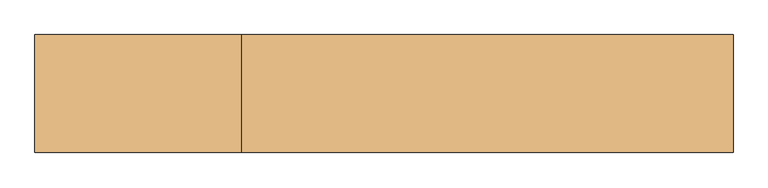
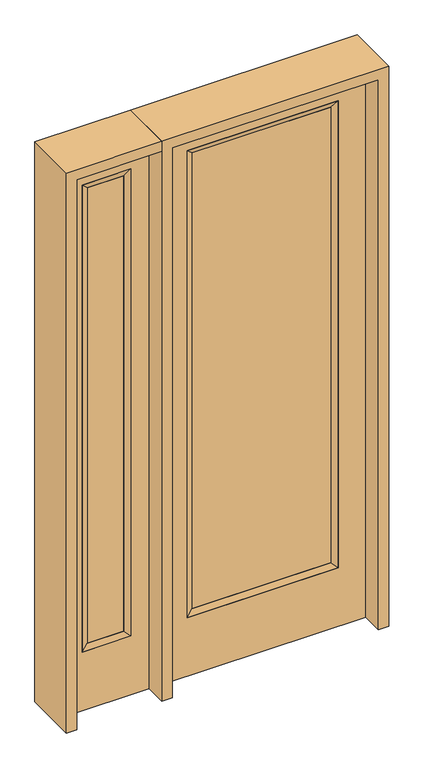
"""IFC4 building model written with IfcOpenShell, lengths in millimetres: door geometry."""

from ifc_helpers import new_model, si_unit, frame, origin, place, context, project, spatial, polyline, outline, extrude, faceted_brep, source, transform, mapped, element, save


def door_30f6f8bd(model_context):
    return source(origin(), model_context, "Body", "SolidModel", [
        extrude(outline(polyline([(290.9824, -12.7039749), (-290.9824, -12.7039749), (-290.9824, 14.2875), (290.9824, 14.2875), (290.9824, -12.7039749)])), frame((0.0, 0.0, 285.75), z_axis=(0.0, 0.0, 1.0), x_axis=(1.0, 0.0, 0.0)), (0.0, 0.0, 1.0), 2019.3),
        faceted_brep([(290.9824, 14.2875, 2305.05), (316.3824, 22.225, 2330.45), (316.3824, 22.225, 260.35), (290.9824, 14.2875, 285.75), (316.3824, -22.225, 2330.45), (316.3824, -22.225, 260.35), (-316.3824, 22.225, 260.35), (-290.9824, 14.2875, 285.75), (290.9824, -12.7039749, 2305.05), (290.9824, -12.7039749, 285.75), (-290.9824, -12.7039749, 285.75), (-316.3824, -22.225, 260.35), (-316.3824, 22.225, 2330.45), (-290.9824, 14.2875, 2305.05), (-290.9824, -12.7039749, 2305.05), (-316.3824, -22.225, 2330.45)], [[[0, 1, 2, 3]], [[1, 4, 5, 2]], [[3, 2, 6, 7]], [[8, 0, 3, 9]], [[9, 3, 7, 10]], [[4, 8, 9, 5]], [[5, 9, 10, 11]], [[2, 5, 11, 6]], [[7, 6, 12, 13]], [[10, 7, 13, 14]], [[11, 10, 14, 15]], [[6, 11, 15, 12]], [[13, 12, 1, 0]], [[14, 13, 0, 8]], [[15, 14, 8, 4]], [[12, 15, 4, 1]]]),
        extrude(outline(polyline([(0.0, -431.8), (0.0, 431.8), (2438.4, 431.8), (2438.4, -431.8), (0.0, -431.8)]), holes=[polyline([(260.35, -316.3824), (2330.45, -316.3824), (2330.45, 316.3824), (260.35, 316.3824), (260.35, -316.3824)])]), frame((0.0, -22.225, 0.0), z_axis=(0.0, 1.0, 0.0), x_axis=(0.0, 0.0, 1.0)), (0.0, 0.0, 1.0), 44.45),
        faceted_brep([(-552.45, 20.6375, 2330.45), (-552.45, -20.6375, 2330.45), (-552.45, -20.6375, 260.35), (-552.45, 20.6375, 260.35), (-577.85, -12.7, 2305.05), (-577.85, -12.7, 285.75), (-755.65, -20.6375, 260.35), (-755.65, 20.6375, 260.35), (-577.85, 12.7, 2305.05), (-577.85, 12.7, 285.75), (-730.25, 12.7, 285.75), (-730.25, -12.7, 285.75), (-755.65, -20.6375, 2330.45), (-755.65, 20.6375, 2330.45), (-730.25, 12.7, 2305.05), (-730.25, -12.7, 2305.05)], [[[0, 1, 2, 3]], [[1, 4, 5, 2]], [[3, 2, 6, 7]], [[8, 0, 3, 9]], [[9, 3, 7, 10]], [[4, 8, 9, 5]], [[5, 9, 10, 11]], [[2, 5, 11, 6]], [[7, 6, 12, 13]], [[10, 7, 13, 14]], [[11, 10, 14, 15]], [[6, 11, 15, 12]], [[13, 12, 1, 0]], [[14, 13, 0, 8]], [[15, 14, 8, 4]], [[12, 15, 4, 1]]]),
        extrude(outline(polyline([(0.0, -831.85), (0.0, -476.25), (2438.4, -476.25), (2438.4, -831.85), (0.0, -831.85)]), holes=[polyline([(2330.45, -552.45), (260.35, -552.45), (260.35, -755.65), (2330.45, -755.65), (2330.45, -552.45)])]), frame((0.0, -20.6375, 0.0), z_axis=(0.0, 1.0, 0.0), x_axis=(0.0, 0.0, 1.0)), (0.0, 0.0, 1.0), 41.275),
        extrude(outline(polyline([(-577.85, -12.7), (-730.25, -12.7), (-730.25, 12.7), (-577.85, 12.7), (-577.85, -12.7)])), frame((0.0, 0.0, 284.95625), z_axis=(0.0, 0.0, 1.0), x_axis=(1.0, 0.0, 0.0)), (0.0, 0.0, 1.0), 2020.09375),
        extrude(outline(polyline([(2438.4, -476.25), (2482.85, -476.25), (2482.85, -876.3), (0.0, -876.3), (0.0, -831.85), (2438.4, -831.85), (2438.4, -476.25)])), frame((0.0, -114.3, 0.0), z_axis=(0.0, 1.0, 0.0), x_axis=(0.0, 0.0, 1.0)), (0.0, 0.0, 1.0), 228.6),
        extrude(outline(polyline([(2482.85, -476.25), (0.0, -476.25), (0.0, -431.8), (2438.4, -431.8), (2438.4, 431.8), (0.0, 431.8), (0.0, 476.25), (2482.85, 476.25), (2482.85, -476.25)])), frame((0.0, -114.3, 0.0), z_axis=(0.0, 1.0, 0.0), x_axis=(0.0, 0.0, 1.0)), (0.0, 0.0, 1.0), 228.6),
    ])


if __name__ == "__main__":
    model = new_model("IFC4")
    model_context = context("Model", 3, world=origin())
    ifc_project = project(units=[si_unit("LENGTHUNIT", "METRE", prefix="MILLI")], contexts=[model_context])
    site = spatial("IfcSite", under=ifc_project)
    building = spatial("IfcBuilding", under=site)
    placement = place(None, origin())
    door_shape = door_30f6f8bd(model_context)
    element("IfcDoor", 1, at=placement, inside=building, context=model_context, shape_type="MappedRepresentation", body=[
        mapped(door_shape, transform((0.0, 0.0, 0.0), x_axis=(1.0, 0.0, 0.0), y_axis=(0.0, 1.0, 0.0), z_axis=(0.0, 0.0, 1.0))),
    ])
    save(model, "model.ifc")
